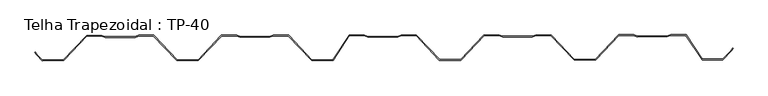
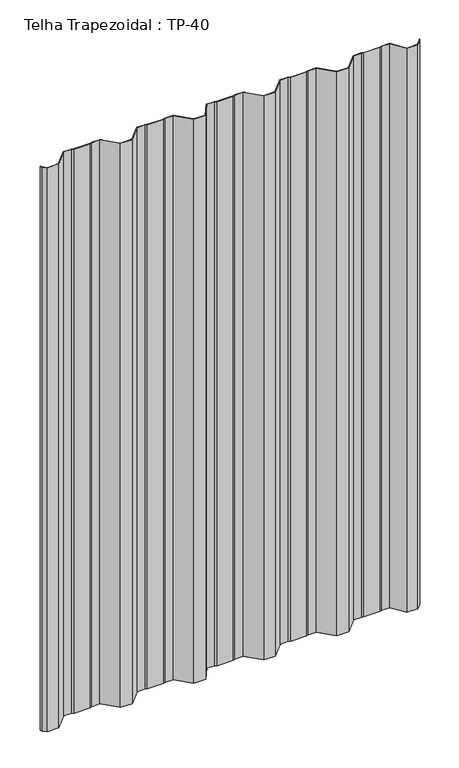
"""IFC4 building model written with IfcOpenShell, lengths in millimetres: proxy geometry, Telha Trapezoidal : TP-40."""

from ifc_helpers import new_model, si_unit, origin, origin_with_axes, place, context, project, spatial, polyline, outline, extrude, source, transform, mapped, element, save


def telha_trapezoidal_tp_40_62b9cdcb(model_context):
    return source(origin(), model_context, "Body", "SweptSolid", [
        extrude(outline(polyline([(520.2660997, -18.3139742), (517.7856954, -22.6204656), (504.9843525, -35.448381), (474.2208942, -35.4802765), (449.8917442, 0.9211759), (427.5055041, 0.8979659), (422.403493, -1.1489772), (377.8803548, -1.1951387), (372.7741101, 0.8412205), (350.7001537, 0.8183343), (316.0301857, -35.9673722), (284.2438172, -36.0003282), (249.4976452, 0.7134078), (227.4236887, 0.6905215), (222.3216776, -1.3564216), (177.7985394, -1.4025831), (172.6922947, 0.6337762), (150.6183383, 0.6108899), (115.9483703, -36.1748165), (84.1620018, -36.2077725), (49.4158298, 0.5059634), (27.3418733, 0.4830772), (22.2398622, -1.5638659), (-22.283276, -1.6100274), (-27.3895207, 0.4263318), (-49.4634771, 0.4034456), (-73.9251399, -36.3822609), (-105.7115084, -36.4152169), (-140.4576804, 0.2985191), (-162.5316369, 0.2756328), (-167.633648, -1.7713103), (-212.1567862, -1.8174718), (-217.2630309, 0.2188875), (-239.3369873, 0.1960012), (-274.0069553, -36.5897052), (-305.7933238, -36.6226612), (-340.5394958, 0.0910747), (-362.6134523, 0.0681885), (-367.7154634, -1.9787546), (-412.2386016, -2.0249161), (-417.3448463, 0.0114431), (-439.4188027, -0.0114431), (-474.0887707, -36.7971496), (-505.8923228, -36.8301234), (-514.1688617, -28.5707289), (-516.6581905, -24.2693901), (-515.792684, -23.7684925), (-513.3692996, -27.9558852), (-505.4791462, -35.8296945), (-474.5208538, -35.797597), (-439.8508858, 0.9881094), (-417.1533008, 1.0116422), (-412.0470561, -1.024717), (-367.9090825, -0.9789548), (-362.8070714, 1.0679883), (-340.1094864, 1.0915211), (-305.3633143, -35.6222149), (-274.4390384, -35.5901526), (-239.7690704, 1.1955538), (-217.0714854, 1.2190866), (-211.9652407, -0.8172726), (-167.8272671, -0.7715105), (-162.725256, 1.2754326), (-140.027671, 1.2989654), (-105.2814989, -35.4147705), (-74.4614461, -35.3828164), (-49.9997833, 1.4028901), (-27.1979752, 1.4265309), (-22.0917305, -0.6098283), (22.0462431, -0.5640661), (27.1482542, 1.482877), (49.8458392, 1.5064098), (84.5920113, -35.2073262), (115.5162872, -35.1752639), (150.1862552, 1.6104425), (172.8838402, 1.6339753), (177.9900849, -0.4023839), (222.1280585, -0.3566218), (227.2300696, 1.6903213), (249.9276546, 1.7138541), (284.6738267, -34.9998818), (315.5981026, -34.9678196), (350.2680706, 1.8178868), (372.9656556, 1.8414196), (378.0719004, -0.1949396), (422.2098739, -0.1491774), (427.311885, 1.8977657), (450.4258058, 1.9217301), (474.7549558, -34.4797222), (504.5691023, -34.448811), (516.9848601, -22.0072812), (519.3995564, -17.8148723), (520.2660997, -18.3139742)])), origin_with_axes(), (0.0, 0.0, 1.0), 1624.4885145),
    ])


if __name__ == "__main__":
    model = new_model("IFC4")
    model_context = context("Model", 3, world=origin())
    ifc_project = project(units=[si_unit("LENGTHUNIT", "METRE", prefix="MILLI")], contexts=[model_context])
    site = spatial("IfcSite", under=ifc_project)
    building = spatial("IfcBuilding", under=site)
    placement = place(None, origin())
    telha_trapezoidal_tp_40_shape = telha_trapezoidal_tp_40_62b9cdcb(model_context)
    element("IfcBuildingElementProxy", 1, Name="Telha Trapezoidal : TP-40", ObjectType="Telha Trapezoidal : TP-40", at=placement, inside=building, context=model_context, shape_type="MappedRepresentation", body=[
        mapped(telha_trapezoidal_tp_40_shape, transform((0.0, 0.0, 0.0), x_axis=(1.0, 0.0, 0.0), y_axis=(0.0, 1.0, 0.0), z_axis=(0.0, 0.0, 1.0))),
    ])
    save(model, "model.ifc")
